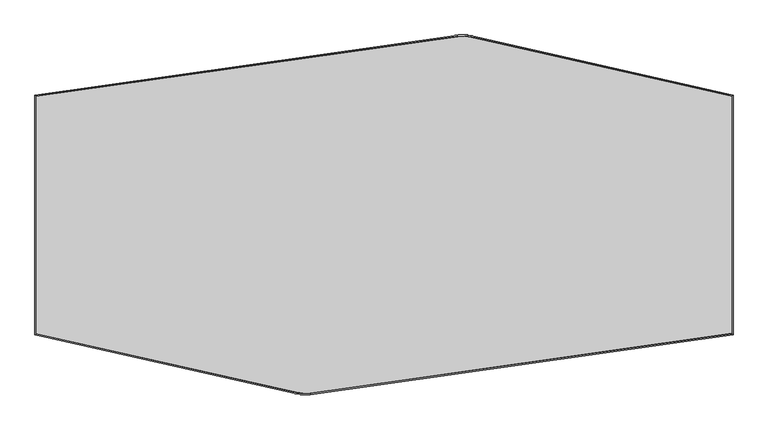
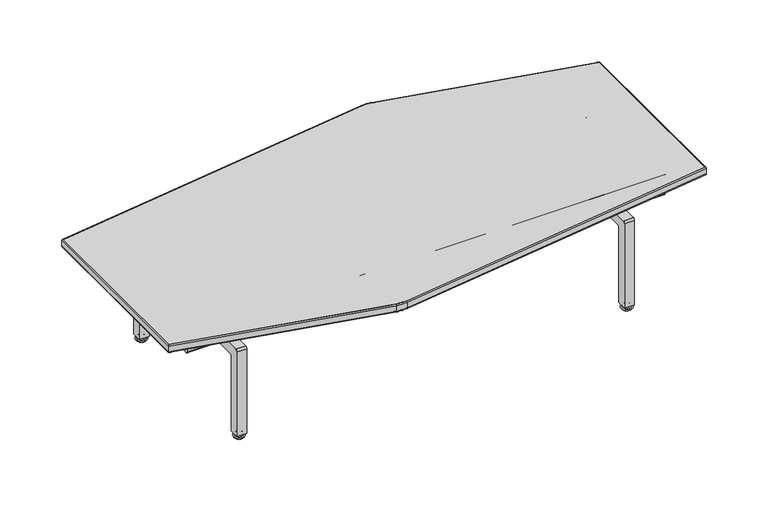
"""IFC4 building model written with IfcOpenShell, lengths in millimetres: furniture geometry."""

from ifc_helpers import new_model, si_unit, point, frame, frame_2d, origin, place, context, project, spatial, polyline, circle_curve, ellipse_curve, trimmed, segment, composite_curve, outline, extrude, source, transform, mapped, element, save
from ifc_brep_helpers import plane_surface, cylinder_surface, revolved_surface, advanced_brep


def furniture_056533b5(model_context):
    return source(origin(), model_context, "Body", "SolidModel", [
        advanced_brep(
        [(1182.6869857, -570.2767393, 14.8752118), (1182.6869857, -573.5884449, 14.8752118), (1182.6869857, -566.9650337, 14.8752118), (1182.6869857, -574.1753826, 13.858606), (1182.6869857, -566.3780961, 13.858606), (1182.6869857, -578.2073563, 11.2402116), (1182.6869857, -562.3461224, 11.2402116), (1182.6869857, -578.2073563, 8.74896), (1182.6869857, -562.3461224, 8.74896), (1182.6869857, -576.6256871, 8.74896), (1182.6869857, -563.9277915, 8.74896), (1182.6869857, -581.4853062, 5.9432577), (1182.6869857, -559.0681725, 5.9432577), (1182.6869857, -584.6759619, 3.5556814), (1182.6869857, -555.8775167, 3.5556814), (1182.6869857, -582.6230707, 0.0), (1182.6869857, -557.930408, 0.0), (1182.6869857, -570.2767393, 0.0)],
        [
            (0, 1),
            (1, 2, circle_curve(frame((1182.6869857, -570.2767393, 14.8752118), z_axis=(0.0, 0.0, 1.0), x_axis=(0.0, -1.0, 0.0)), 3.3117056)),
            (2, 0),
            (2, 1, circle_curve(frame((1182.6869857, -570.2767393, 14.8752118), z_axis=(0.0, 0.0, 1.0), x_axis=(0.0, -1.0, 0.0)), 3.3117056)),
            (1, 3),
            (3, 4, circle_curve(frame((1182.6869857, -570.2767393, 13.858606), z_axis=(0.0, 0.0, 1.0), x_axis=(0.0, -1.0, 0.0)), 3.8986433)),
            (4, 2),
            (4, 3, circle_curve(frame((1182.6869857, -570.2767393, 13.858606), z_axis=(0.0, 0.0, 1.0), x_axis=(0.0, -1.0, 0.0)), 3.8986433)),
            (3, 5),
            (5, 6, circle_curve(frame((1182.6869857, -570.2767393, 11.2402116), z_axis=(0.0, 0.0, 1.0), x_axis=(0.0, -1.0, 0.0)), 7.930617)),
            (6, 4),
            (6, 5, circle_curve(frame((1182.6869857, -570.2767393, 11.2402116), z_axis=(0.0, 0.0, 1.0), x_axis=(0.0, -1.0, 0.0)), 7.930617)),
            (5, 7),
            (7, 8, circle_curve(frame((1182.6869857, -570.2767393, 8.74896), z_axis=(0.0, 0.0, 1.0), x_axis=(0.0, -1.0, 0.0)), 7.930617)),
            (8, 6),
            (8, 7, circle_curve(frame((1182.6869857, -570.2767393, 8.74896), z_axis=(0.0, 0.0, 1.0), x_axis=(0.0, -1.0, 0.0)), 7.930617)),
            (7, 9),
            (9, 10, circle_curve(frame((1182.6869857, -570.2767393, 8.74896), z_axis=(0.0, 0.0, 1.0), x_axis=(0.0, -1.0, 0.0)), 6.3489478)),
            (10, 8),
            (10, 9, circle_curve(frame((1182.6869857, -570.2767393, 8.74896), z_axis=(0.0, 0.0, 1.0), x_axis=(0.0, -1.0, 0.0)), 6.3489478)),
            (9, 11, circle_curve(frame((1182.6869857, -581.1379321, 10.9529929), z_axis=(-1.0, 0.0, 0.0), x_axis=(0.0, -1.0, 0.0)), 5.0217642)),
            (11, 12, circle_curve(frame((1182.6869857, -570.2767393, 5.9432577), z_axis=(0.0, 0.0, 1.0), x_axis=(0.0, -1.0, 0.0)), 11.2085669)),
            (12, 10, circle_curve(frame((1182.6869857, -559.4155465, 10.9529929), z_axis=(-1.0, 0.0, 0.0), x_axis=(0.0, 1.0, 0.0)), 5.0217642)),
            (12, 11, circle_curve(frame((1182.6869857, -570.2767393, 5.9432577), z_axis=(0.0, 0.0, 1.0), x_axis=(0.0, -1.0, 0.0)), 11.2085669)),
            (11, 13, circle_curve(frame((1182.6869857, -581.6963544, 2.8995769), z_axis=(1.0, 0.0, 0.0), x_axis=(0.0, -1.0, 0.0)), 3.050989)),
            (13, 14, circle_curve(frame((1182.6869857, -570.2767393, 3.5556814), z_axis=(0.0, 0.0, 1.0), x_axis=(0.0, -1.0, 0.0)), 14.3992226)),
            (14, 12, circle_curve(frame((1182.6869857, -558.8571242, 2.8995769), z_axis=(1.0, 0.0, 0.0), x_axis=(0.0, 1.0, 0.0)), 3.050989)),
            (14, 13, circle_curve(frame((1182.6869857, -570.2767393, 3.5556814), z_axis=(0.0, 0.0, 1.0), x_axis=(0.0, -1.0, 0.0)), 14.3992226)),
            (13, 15),
            (15, 16, circle_curve(frame((1182.6869857, -570.2767393, 0.0), z_axis=(0.0, 0.0, 1.0), x_axis=(0.0, -1.0, 0.0)), 12.3463313)),
            (16, 14),
            (16, 15, circle_curve(frame((1182.6869857, -570.2767393, 0.0), z_axis=(0.0, 0.0, 1.0), x_axis=(0.0, -1.0, 0.0)), 12.3463313)),
            (15, 17),
            (17, 16),
        ],
        [
            plane_surface(frame((1182.6869857, -570.2767393, 14.8752118), z_axis=(0.0, 0.0, 1.0), x_axis=(0.0, -1.0, 0.0))),
            revolved_surface(polyline([(1182.6869857, -574.1753826, 13.858606), (1182.6869857, -573.5884449, 14.8752118)]), (1182.6869857, -570.2767393, 0.0), (0.0, 0.0, 1.0)),
            revolved_surface(polyline([(1182.6869857, -578.2073563, 11.2402116), (1182.6869857, -574.1753826, 13.858606)]), (1182.6869857, -570.2767393, 0.0), (0.0, 0.0, 1.0)),
            cylinder_surface(frame((1182.6869857, -570.2767393, 0.0), z_axis=(0.0, 0.0, 1.0), x_axis=(0.0, -1.0, 0.0)), 7.930617),
            plane_surface(frame((1182.6869857, -570.2767393, 8.74896), z_axis=(0.0, 0.0, -1.0), x_axis=(0.0, -1.0, 0.0))),
            revolved_surface(trimmed(ellipse_curve(frame((1182.6869857, -581.1379321, 10.9529929), z_axis=(1.0, 0.0, 0.0), x_axis=(0.0, -1.0, 0.0)), 5.0217642, 5.0217642), [point((1182.6869857, -581.4853062, 5.9432577))], [point((1182.6869857, -576.6256871, 8.74896))], True, "CARTESIAN"), (1182.6869857, -570.2767393, 0.0), (0.0, 0.0, 1.0)),
            revolved_surface(trimmed(ellipse_curve(frame((1182.6869857, -581.6963544, 2.8995769), z_axis=(-1.0, 0.0, 0.0), x_axis=(0.0, -1.0, 0.0)), 3.050989, 3.050989), [point((1182.6869857, -584.6759619, 3.5556814))], [point((1182.6869857, -581.4853062, 5.9432577))], True, "CARTESIAN"), (1182.6869857, -570.2767393, 0.0), (0.0, 0.0, 1.0)),
            revolved_surface(polyline([(1182.6869857, -582.6230707, 0.0), (1182.6869857, -584.6759619, 3.5556814)]), (1182.6869857, -570.2767393, 0.0), (0.0, 0.0, 1.0)),
            plane_surface(frame((1182.6869857, -570.2767393, 0.0), z_axis=(0.0, 0.0, -1.0), x_axis=(0.0, -1.0, 0.0))),
        ],
        [
            (0, [[1, 2, 3]]),
            (0, [[-3, 4, -1]]),
            (1, [[-2, 5, 6, 7]]),
            (1, [[-4, -7, 8, -5]]),
            (2, [[-6, 9, 10, 11]]),
            (2, [[-8, -11, 12, -9]]),
            (3, [[-10, 13, 14, 15]]),
            (3, [[-12, -15, 16, -13]]),
            (4, [[-14, 17, 18, 19]]),
            (4, [[-16, -19, 20, -17]]),
            (5, [[-18, 21, 22, 23]]),
            (5, [[-20, -23, 24, -21]]),
            (6, [[-22, 25, 26, 27]]),
            (6, [[-24, -27, 28, -25]]),
            (7, [[-26, 29, 30, 31]]),
            (7, [[-28, -31, 32, -29]]),
            (8, [[-30, 33, 34]]),
            (8, [[-32, -34, -33]]),
        ],
    ),
        advanced_brep(
        [(1182.6869857, -141.7539597, 14.8752118), (1182.6869857, -135.1305486, 14.8752118), (1182.6869857, -138.4422542, 14.8752118), (1182.6869857, -142.3408974, 13.858606), (1182.6869857, -134.5436109, 13.858606), (1182.6869857, -146.3728711, 11.2402116), (1182.6869857, -130.5116372, 11.2402116), (1182.6869857, -146.3728711, 8.74896), (1182.6869857, -130.5116372, 8.74896), (1182.6869857, -144.791202, 8.74896), (1182.6869857, -132.0933064, 8.74896), (1182.6869857, -149.650821, 5.9432577), (1182.6869857, -127.2336873, 5.9432577), (1182.6869857, -152.8414767, 3.5556814), (1182.6869857, -124.0430316, 3.5556814), (1182.6869857, -150.7885855, 0.0), (1182.6869857, -126.0959228, 0.0), (1182.6869857, -138.4422542, 0.0)],
        [
            (0, 1, circle_curve(frame((1182.6869857, -138.4422542, 14.8752118), z_axis=(0.0, 0.0, 1.0), x_axis=(0.0, 1.0, 0.0)), 3.3117056)),
            (1, 2),
            (2, 0),
            (1, 0, circle_curve(frame((1182.6869857, -138.4422542, 14.8752118), z_axis=(0.0, 0.0, 1.0), x_axis=(0.0, 1.0, 0.0)), 3.3117056)),
            (3, 4, circle_curve(frame((1182.6869857, -138.4422542, 13.858606), z_axis=(0.0, 0.0, 1.0), x_axis=(0.0, 1.0, 0.0)), 3.8986433)),
            (4, 1),
            (0, 3),
            (4, 3, circle_curve(frame((1182.6869857, -138.4422542, 13.858606), z_axis=(0.0, 0.0, 1.0), x_axis=(0.0, 1.0, 0.0)), 3.8986433)),
            (5, 6, circle_curve(frame((1182.6869857, -138.4422542, 11.2402116), z_axis=(0.0, 0.0, 1.0), x_axis=(0.0, 1.0, 0.0)), 7.930617)),
            (6, 4),
            (3, 5),
            (6, 5, circle_curve(frame((1182.6869857, -138.4422542, 11.2402116), z_axis=(0.0, 0.0, 1.0), x_axis=(0.0, 1.0, 0.0)), 7.930617)),
            (7, 8, circle_curve(frame((1182.6869857, -138.4422542, 8.74896), z_axis=(0.0, 0.0, 1.0), x_axis=(0.0, 1.0, 0.0)), 7.930617)),
            (8, 6),
            (5, 7),
            (8, 7, circle_curve(frame((1182.6869857, -138.4422542, 8.74896), z_axis=(0.0, 0.0, 1.0), x_axis=(0.0, 1.0, 0.0)), 7.930617)),
            (9, 10, circle_curve(frame((1182.6869857, -138.4422542, 8.74896), z_axis=(0.0, 0.0, 1.0), x_axis=(0.0, 1.0, 0.0)), 6.3489478)),
            (10, 8),
            (7, 9),
            (10, 9, circle_curve(frame((1182.6869857, -138.4422542, 8.74896), z_axis=(0.0, 0.0, 1.0), x_axis=(0.0, 1.0, 0.0)), 6.3489478)),
            (11, 12, circle_curve(frame((1182.6869857, -138.4422542, 5.9432577), z_axis=(0.0, 0.0, 1.0), x_axis=(0.0, 1.0, 0.0)), 11.2085669)),
            (12, 10, circle_curve(frame((1182.6869857, -127.5810614, 10.9529929), z_axis=(-1.0, 0.0, 0.0), x_axis=(0.0, -1.0, 0.0)), 5.0217642)),
            (9, 11, circle_curve(frame((1182.6869857, -149.3034469, 10.9529929), z_axis=(-1.0, 0.0, 0.0), x_axis=(0.0, 1.0, 0.0)), 5.0217642)),
            (12, 11, circle_curve(frame((1182.6869857, -138.4422542, 5.9432577), z_axis=(0.0, 0.0, 1.0), x_axis=(0.0, 1.0, 0.0)), 11.2085669)),
            (13, 14, circle_curve(frame((1182.6869857, -138.4422542, 3.5556814), z_axis=(0.0, 0.0, 1.0), x_axis=(0.0, 1.0, 0.0)), 14.3992226)),
            (14, 12, circle_curve(frame((1182.6869857, -127.0226391, 2.8995769), z_axis=(1.0, 0.0, 0.0), x_axis=(0.0, -1.0, 0.0)), 3.050989)),
            (11, 13, circle_curve(frame((1182.6869857, -149.8618693, 2.8995769), z_axis=(1.0, 0.0, 0.0), x_axis=(0.0, 1.0, 0.0)), 3.050989)),
            (14, 13, circle_curve(frame((1182.6869857, -138.4422542, 3.5556814), z_axis=(0.0, 0.0, 1.0), x_axis=(0.0, 1.0, 0.0)), 14.3992226)),
            (15, 16, circle_curve(frame((1182.6869857, -138.4422542, 0.0), z_axis=(0.0, 0.0, 1.0), x_axis=(0.0, 1.0, 0.0)), 12.3463313)),
            (16, 14),
            (13, 15),
            (16, 15, circle_curve(frame((1182.6869857, -138.4422542, 0.0), z_axis=(0.0, 0.0, 1.0), x_axis=(0.0, 1.0, 0.0)), 12.3463313)),
            (17, 16),
            (15, 17),
        ],
        [
            plane_surface(frame((1182.6869857, -138.4422542, 14.8752118), z_axis=(0.0, 0.0, 1.0), x_axis=(0.0, 1.0, 0.0))),
            revolved_surface(polyline([(1182.6869857, -135.1305486, 14.8752118), (1182.6869857, -134.5436109, 13.858606)]), (1182.6869857, -138.4422542, 0.0), (0.0, 0.0, -1.0)),
            revolved_surface(polyline([(1182.6869857, -134.5436109, 13.858606), (1182.6869857, -130.5116372, 11.2402116)]), (1182.6869857, -138.4422542, 0.0), (0.0, 0.0, -1.0)),
            cylinder_surface(frame((1182.6869857, -138.4422542, 0.0), z_axis=(0.0, 0.0, -1.0), x_axis=(0.0, 1.0, 0.0)), 7.930617),
            plane_surface(frame((1182.6869857, -138.4422542, 8.74896), z_axis=(0.0, 0.0, -1.0), x_axis=(0.0, 1.0, 0.0))),
            revolved_surface(trimmed(ellipse_curve(frame((1182.6869857, -127.5810614, 10.9529929), z_axis=(1.0, 0.0, 0.0), x_axis=(0.0, -1.0, 0.0)), 5.0217642, 5.0217642), [point((1182.6869857, -132.0933064, 8.74896))], [point((1182.6869857, -127.2336873, 5.9432577))], True, "CARTESIAN"), (1182.6869857, -138.4422542, 0.0), (0.0, 0.0, -1.0)),
            revolved_surface(trimmed(ellipse_curve(frame((1182.6869857, -127.0226391, 2.8995769), z_axis=(-1.0, 0.0, 0.0), x_axis=(0.0, -1.0, 0.0)), 3.050989, 3.050989), [point((1182.6869857, -127.2336873, 5.9432577))], [point((1182.6869857, -124.0430316, 3.5556814))], True, "CARTESIAN"), (1182.6869857, -138.4422542, 0.0), (0.0, 0.0, -1.0)),
            revolved_surface(polyline([(1182.6869857, -124.0430316, 3.5556814), (1182.6869857, -126.0959228, 0.0)]), (1182.6869857, -138.4422542, 0.0), (0.0, 0.0, -1.0)),
            plane_surface(frame((1182.6869857, -138.4422542, 0.0), z_axis=(0.0, 0.0, -1.0), x_axis=(0.0, 1.0, 0.0))),
        ],
        [
            (0, [[1, 2, 3]]),
            (0, [[4, -3, -2]]),
            (1, [[5, 6, -1, 7]]),
            (1, [[8, -7, -4, -6]]),
            (2, [[9, 10, -5, 11]]),
            (2, [[12, -11, -8, -10]]),
            (3, [[13, 14, -9, 15]]),
            (3, [[16, -15, -12, -14]]),
            (4, [[17, 18, -13, 19]]),
            (4, [[20, -19, -16, -18]]),
            (5, [[21, 22, -17, 23]]),
            (5, [[24, -23, -20, -22]]),
            (6, [[25, 26, -21, 27]]),
            (6, [[28, -27, -24, -26]]),
            (7, [[29, 30, -25, 31]]),
            (7, [[32, -31, -28, -30]]),
            (8, [[33, -29, 34]]),
            (8, [[-34, -32, -33]]),
        ],
    ),
        advanced_brep(
        [(192.0875, -141.7539597, 14.8752118), (192.0875, -135.1305486, 14.8752118), (192.0875, -138.4422542, 14.8752118), (192.0875, -142.3408974, 13.858606), (192.0875, -134.5436109, 13.858606), (192.0875, -146.3728711, 11.2402116), (192.0875, -130.5116372, 11.2402116), (192.0875, -146.3728711, 8.74896), (192.0875, -130.5116372, 8.74896), (192.0875, -144.791202, 8.74896), (192.0875, -132.0933064, 8.74896), (192.0875, -149.650821, 5.9432577), (192.0875, -127.2336873, 5.9432577), (192.0875, -152.8414767, 3.5556814), (192.0875, -124.0430316, 3.5556814), (192.0875, -150.7885855, 0.0), (192.0875, -126.0959228, 0.0), (192.0875, -138.4422542, 0.0)],
        [
            (0, 1, circle_curve(frame((192.0875, -138.4422542, 14.8752118), z_axis=(0.0, 0.0, 1.0), x_axis=(0.0, 1.0, 0.0)), 3.3117056)),
            (1, 2),
            (2, 0),
            (1, 0, circle_curve(frame((192.0875, -138.4422542, 14.8752118), z_axis=(0.0, 0.0, 1.0), x_axis=(0.0, 1.0, 0.0)), 3.3117056)),
            (3, 4, circle_curve(frame((192.0875, -138.4422542, 13.858606), z_axis=(0.0, 0.0, 1.0), x_axis=(0.0, 1.0, 0.0)), 3.8986433)),
            (4, 1),
            (0, 3),
            (4, 3, circle_curve(frame((192.0875, -138.4422542, 13.858606), z_axis=(0.0, 0.0, 1.0), x_axis=(0.0, 1.0, 0.0)), 3.8986433)),
            (5, 6, circle_curve(frame((192.0875, -138.4422542, 11.2402116), z_axis=(0.0, 0.0, 1.0), x_axis=(0.0, 1.0, 0.0)), 7.930617)),
            (6, 4),
            (3, 5),
            (6, 5, circle_curve(frame((192.0875, -138.4422542, 11.2402116), z_axis=(0.0, 0.0, 1.0), x_axis=(0.0, 1.0, 0.0)), 7.930617)),
            (7, 8, circle_curve(frame((192.0875, -138.4422542, 8.74896), z_axis=(0.0, 0.0, 1.0), x_axis=(0.0, 1.0, 0.0)), 7.930617)),
            (8, 6),
            (5, 7),
            (8, 7, circle_curve(frame((192.0875, -138.4422542, 8.74896), z_axis=(0.0, 0.0, 1.0), x_axis=(0.0, 1.0, 0.0)), 7.930617)),
            (9, 10, circle_curve(frame((192.0875, -138.4422542, 8.74896), z_axis=(0.0, 0.0, 1.0), x_axis=(0.0, 1.0, 0.0)), 6.3489478)),
            (10, 8),
            (7, 9),
            (10, 9, circle_curve(frame((192.0875, -138.4422542, 8.74896), z_axis=(0.0, 0.0, 1.0), x_axis=(0.0, 1.0, 0.0)), 6.3489478)),
            (11, 12, circle_curve(frame((192.0875, -138.4422542, 5.9432577), z_axis=(0.0, 0.0, 1.0), x_axis=(0.0, 1.0, 0.0)), 11.2085669)),
            (12, 10, circle_curve(frame((192.0875, -127.5810614, 10.9529929), z_axis=(-1.0, 0.0, 0.0), x_axis=(0.0, 1.0, 0.0)), 5.0217642)),
            (9, 11, circle_curve(frame((192.0875, -149.3034469, 10.9529929), z_axis=(-1.0, 0.0, 0.0), x_axis=(0.0, -1.0, 0.0)), 5.0217642)),
            (12, 11, circle_curve(frame((192.0875, -138.4422542, 5.9432577), z_axis=(0.0, 0.0, 1.0), x_axis=(0.0, 1.0, 0.0)), 11.2085669)),
            (13, 14, circle_curve(frame((192.0875, -138.4422542, 3.5556814), z_axis=(0.0, 0.0, 1.0), x_axis=(0.0, 1.0, 0.0)), 14.3992226)),
            (14, 12, circle_curve(frame((192.0875, -127.0226391, 2.8995769), z_axis=(1.0, 0.0, 0.0), x_axis=(0.0, 1.0, 0.0)), 3.050989)),
            (11, 13, circle_curve(frame((192.0875, -149.8618693, 2.8995769), z_axis=(1.0, 0.0, 0.0), x_axis=(0.0, -1.0, 0.0)), 3.050989)),
            (14, 13, circle_curve(frame((192.0875, -138.4422542, 3.5556814), z_axis=(0.0, 0.0, 1.0), x_axis=(0.0, 1.0, 0.0)), 14.3992226)),
            (15, 16, circle_curve(frame((192.0875, -138.4422542, 0.0), z_axis=(0.0, 0.0, 1.0), x_axis=(0.0, 1.0, 0.0)), 12.3463313)),
            (16, 14),
            (13, 15),
            (16, 15, circle_curve(frame((192.0875, -138.4422542, 0.0), z_axis=(0.0, 0.0, 1.0), x_axis=(0.0, 1.0, 0.0)), 12.3463313)),
            (17, 16),
            (15, 17),
        ],
        [
            plane_surface(frame((192.0875, -138.4422542, 14.8752118), z_axis=(0.0, 0.0, 1.0), x_axis=(0.0, 1.0, 0.0))),
            revolved_surface(polyline([(192.0875, -135.1305486, 14.8752118), (192.0875, -134.5436109, 13.858606)]), (192.0875, -138.4422542, 0.0), (0.0, 0.0, -1.0)),
            revolved_surface(polyline([(192.0875, -134.5436109, 13.858606), (192.0875, -130.5116372, 11.2402116)]), (192.0875, -138.4422542, 0.0), (0.0, 0.0, -1.0)),
            cylinder_surface(frame((192.0875, -138.4422542, 0.0), z_axis=(0.0, 0.0, -1.0), x_axis=(0.0, 1.0, 0.0)), 7.930617),
            plane_surface(frame((192.0875, -138.4422542, 8.74896), z_axis=(0.0, 0.0, -1.0), x_axis=(0.0, 1.0, 0.0))),
            revolved_surface(trimmed(ellipse_curve(frame((192.0875, -127.5810614, 10.9529929), z_axis=(1.0, 0.0, 0.0), x_axis=(0.0, 1.0, 0.0)), 5.0217642, 5.0217642), [point((192.0875, -132.0933064, 8.74896))], [point((192.0875, -127.2336873, 5.9432577))], True, "CARTESIAN"), (192.0875, -138.4422542, 0.0), (0.0, 0.0, -1.0)),
            revolved_surface(trimmed(ellipse_curve(frame((192.0875, -127.0226391, 2.8995769), z_axis=(-1.0, 0.0, 0.0), x_axis=(0.0, 1.0, 0.0)), 3.050989, 3.050989), [point((192.0875, -127.2336873, 5.9432577))], [point((192.0875, -124.0430316, 3.5556814))], True, "CARTESIAN"), (192.0875, -138.4422542, 0.0), (0.0, 0.0, -1.0)),
            revolved_surface(polyline([(192.0875, -124.0430316, 3.5556814), (192.0875, -126.0959228, 0.0)]), (192.0875, -138.4422542, 0.0), (0.0, 0.0, -1.0)),
            plane_surface(frame((192.0875, -138.4422542, 0.0), z_axis=(0.0, 0.0, -1.0), x_axis=(0.0, 1.0, 0.0))),
        ],
        [
            (0, [[1, 2, 3]]),
            (0, [[4, -3, -2]]),
            (1, [[5, 6, -1, 7]]),
            (1, [[8, -7, -4, -6]]),
            (2, [[9, 10, -5, 11]]),
            (2, [[12, -11, -8, -10]]),
            (3, [[13, 14, -9, 15]]),
            (3, [[16, -15, -12, -14]]),
            (4, [[17, 18, -13, 19]]),
            (4, [[20, -19, -16, -18]]),
            (5, [[21, 22, -17, 23]]),
            (5, [[24, -23, -20, -22]]),
            (6, [[25, 26, -21, 27]]),
            (6, [[28, -27, -24, -26]]),
            (7, [[29, 30, -25, 31]]),
            (7, [[32, -31, -28, -30]]),
            (8, [[33, -29, 34]]),
            (8, [[-34, -32, -33]]),
        ],
    ),
        extrude(outline(polyline([(158.7472143, -170.2591816), (225.4222143, -170.2591816), (225.4222143, -195.6303406), (158.7472143, -195.6303406), (158.7472143, -170.2591816)])), frame((0.0, 0.0, 244.2027917), z_axis=(0.0, 0.0, 1.0), x_axis=(1.0, 0.0, 0.0)), (0.0, 0.0, 1.0), 2.4272124),
        extrude(outline(polyline([(1149.347287, -170.2591816), (1215.8990844, -170.2591816), (1215.8990844, -195.6303406), (1149.347287, -195.6303406), (1149.347287, -170.2591816)])), frame((0.0, 0.0, 244.1741947), z_axis=(0.0, 0.0, 1.0), x_axis=(1.0, 0.0, 0.0)), (0.0, 0.0, 1.0), 2.4558094),
        extrude(outline(composite_curve([segment(polyline([(-582.7396725, 10.9281489), (-582.7396725, 239.2936032)]), True, "CONTINUOUS"), segment(trimmed(circle_curve(frame_2d((-577.859081, 239.2936032)), 4.8805915), [point((-582.7396725, 239.2936032))], [point((-577.859081, 244.1741947))], False, "CARTESIAN"), True, "CONTINUOUS"), segment(polyline([(-577.859081, 244.1741947), (-130.5622563, 244.1741947)]), True, "CONTINUOUS"), segment(trimmed(circle_curve(frame_2d((-130.5622563, 239.2936032)), 4.8805915), [point((-130.5622563, 244.1741947))], [point((-125.6816648, 239.2936032))], False, "CARTESIAN"), True, "CONTINUOUS"), segment(polyline([(-125.6816648, 239.2936032), (-125.6816648, 10.9281489), (-151.0816648, 10.9281489), (-151.0816648, 215.7082732)]), True, "CONTINUOUS"), segment(trimmed(circle_curve(frame_2d((-154.1476347, 215.7082732)), 3.06597), [point((-151.0816648, 215.7082732))], [point((-154.1476347, 218.7742432))], True, "CARTESIAN"), True, "CONTINUOUS"), segment(polyline([(-154.1476347, 218.7742432), (-554.2737025, 218.7742432)]), True, "CONTINUOUS"), segment(trimmed(circle_curve(frame_2d((-554.2737025, 215.7082732)), 3.06597), [point((-554.2737025, 218.7742432))], [point((-557.3396725, 215.7082732))], True, "CARTESIAN"), True, "CONTINUOUS"), segment(polyline([(-557.3396725, 215.7082732), (-557.3396725, 10.9281489), (-582.7396725, 10.9281489)]), True, "CONTINUOUS")], self_intersect=False)), frame((1169.9643916, 0.0, 0.0), z_axis=(1.0, 0.0, 0.0), x_axis=(0.0, 1.0, 0.0)), (0.0, 0.0, 1.0), 25.4004602),
        advanced_brep(
        [(192.0875, -570.2767393, 14.8752118), (192.0875, -573.5884449, 14.8752118), (192.0875, -566.9650337, 14.8752118), (192.0875, -574.1753826, 13.858606), (192.0875, -566.3780961, 13.858606), (192.0875, -578.2073563, 11.2402116), (192.0875, -562.3461224, 11.2402116), (192.0875, -578.2073563, 8.74896), (192.0875, -562.3461224, 8.74896), (192.0875, -576.6256871, 8.74896), (192.0875, -563.9277915, 8.74896), (192.0875, -581.4853062, 5.9432577), (192.0875, -559.0681725, 5.9432577), (192.0875, -584.6759619, 3.5556814), (192.0875, -555.8775167, 3.5556814), (192.0875, -582.6230707, 0.0), (192.0875, -557.930408, 0.0), (192.0875, -570.2767393, 0.0)],
        [
            (0, 1),
            (1, 2, circle_curve(frame((192.0875, -570.2767393, 14.8752118), z_axis=(0.0, 0.0, 1.0), x_axis=(0.0, -1.0, 0.0)), 3.3117056)),
            (2, 0),
            (2, 1, circle_curve(frame((192.0875, -570.2767393, 14.8752118), z_axis=(0.0, 0.0, 1.0), x_axis=(0.0, -1.0, 0.0)), 3.3117056)),
            (1, 3),
            (3, 4, circle_curve(frame((192.0875, -570.2767393, 13.858606), z_axis=(0.0, 0.0, 1.0), x_axis=(0.0, -1.0, 0.0)), 3.8986433)),
            (4, 2),
            (4, 3, circle_curve(frame((192.0875, -570.2767393, 13.858606), z_axis=(0.0, 0.0, 1.0), x_axis=(0.0, -1.0, 0.0)), 3.8986433)),
            (3, 5),
            (5, 6, circle_curve(frame((192.0875, -570.2767393, 11.2402116), z_axis=(0.0, 0.0, 1.0), x_axis=(0.0, -1.0, 0.0)), 7.930617)),
            (6, 4),
            (6, 5, circle_curve(frame((192.0875, -570.2767393, 11.2402116), z_axis=(0.0, 0.0, 1.0), x_axis=(0.0, -1.0, 0.0)), 7.930617)),
            (5, 7),
            (7, 8, circle_curve(frame((192.0875, -570.2767393, 8.74896), z_axis=(0.0, 0.0, 1.0), x_axis=(0.0, -1.0, 0.0)), 7.930617)),
            (8, 6),
            (8, 7, circle_curve(frame((192.0875, -570.2767393, 8.74896), z_axis=(0.0, 0.0, 1.0), x_axis=(0.0, -1.0, 0.0)), 7.930617)),
            (7, 9),
            (9, 10, circle_curve(frame((192.0875, -570.2767393, 8.74896), z_axis=(0.0, 0.0, 1.0), x_axis=(0.0, -1.0, 0.0)), 6.3489478)),
            (10, 8),
            (10, 9, circle_curve(frame((192.0875, -570.2767393, 8.74896), z_axis=(0.0, 0.0, 1.0), x_axis=(0.0, -1.0, 0.0)), 6.3489478)),
            (9, 11, circle_curve(frame((192.0875, -581.1379321, 10.9529929), z_axis=(-1.0, 0.0, 0.0), x_axis=(0.0, -1.0, 0.0)), 5.0217642)),
            (11, 12, circle_curve(frame((192.0875, -570.2767393, 5.9432577), z_axis=(0.0, 0.0, 1.0), x_axis=(0.0, -1.0, 0.0)), 11.2085669)),
            (12, 10, circle_curve(frame((192.0875, -559.4155465, 10.9529929), z_axis=(-1.0, 0.0, 0.0), x_axis=(0.0, 1.0, 0.0)), 5.0217642)),
            (12, 11, circle_curve(frame((192.0875, -570.2767393, 5.9432577), z_axis=(0.0, 0.0, 1.0), x_axis=(0.0, -1.0, 0.0)), 11.2085669)),
            (11, 13, circle_curve(frame((192.0875, -581.6963544, 2.8995769), z_axis=(1.0, 0.0, 0.0), x_axis=(0.0, -1.0, 0.0)), 3.050989)),
            (13, 14, circle_curve(frame((192.0875, -570.2767393, 3.5556814), z_axis=(0.0, 0.0, 1.0), x_axis=(0.0, -1.0, 0.0)), 14.3992226)),
            (14, 12, circle_curve(frame((192.0875, -558.8571242, 2.8995769), z_axis=(1.0, 0.0, 0.0), x_axis=(0.0, 1.0, 0.0)), 3.050989)),
            (14, 13, circle_curve(frame((192.0875, -570.2767393, 3.5556814), z_axis=(0.0, 0.0, 1.0), x_axis=(0.0, -1.0, 0.0)), 14.3992226)),
            (13, 15),
            (15, 16, circle_curve(frame((192.0875, -570.2767393, 0.0), z_axis=(0.0, 0.0, 1.0), x_axis=(0.0, -1.0, 0.0)), 12.3463313)),
            (16, 14),
            (16, 15, circle_curve(frame((192.0875, -570.2767393, 0.0), z_axis=(0.0, 0.0, 1.0), x_axis=(0.0, -1.0, 0.0)), 12.3463313)),
            (15, 17),
            (17, 16),
        ],
        [
            plane_surface(frame((192.0875, -570.2767393, 14.8752118), z_axis=(0.0, 0.0, 1.0), x_axis=(0.0, -1.0, 0.0))),
            revolved_surface(polyline([(192.0875, -574.1753826, 13.858606), (192.0875, -573.5884449, 14.8752118)]), (192.0875, -570.2767393, 0.0), (0.0, 0.0, 1.0)),
            revolved_surface(polyline([(192.0875, -578.2073563, 11.2402116), (192.0875, -574.1753826, 13.858606)]), (192.0875, -570.2767393, 0.0), (0.0, 0.0, 1.0)),
            cylinder_surface(frame((192.0875, -570.2767393, 0.0), z_axis=(0.0, 0.0, 1.0), x_axis=(0.0, -1.0, 0.0)), 7.930617),
            plane_surface(frame((192.0875, -570.2767393, 8.74896), z_axis=(0.0, 0.0, -1.0), x_axis=(0.0, -1.0, 0.0))),
            revolved_surface(trimmed(ellipse_curve(frame((192.0875, -581.1379321, 10.9529929), z_axis=(1.0, 0.0, 0.0), x_axis=(0.0, -1.0, 0.0)), 5.0217642, 5.0217642), [point((192.0875, -581.4853062, 5.9432577))], [point((192.0875, -576.6256871, 8.74896))], True, "CARTESIAN"), (192.0875, -570.2767393, 0.0), (0.0, 0.0, 1.0)),
            revolved_surface(trimmed(ellipse_curve(frame((192.0875, -581.6963544, 2.8995769), z_axis=(-1.0, 0.0, 0.0), x_axis=(0.0, -1.0, 0.0)), 3.050989, 3.050989), [point((192.0875, -584.6759619, 3.5556814))], [point((192.0875, -581.4853062, 5.9432577))], True, "CARTESIAN"), (192.0875, -570.2767393, 0.0), (0.0, 0.0, 1.0)),
            revolved_surface(polyline([(192.0875, -582.6230707, 0.0), (192.0875, -584.6759619, 3.5556814)]), (192.0875, -570.2767393, 0.0), (0.0, 0.0, 1.0)),
            plane_surface(frame((192.0875, -570.2767393, 0.0), z_axis=(0.0, 0.0, -1.0), x_axis=(0.0, -1.0, 0.0))),
        ],
        [
            (0, [[1, 2, 3]]),
            (0, [[-3, 4, -1]]),
            (1, [[-2, 5, 6, 7]]),
            (1, [[-4, -7, 8, -5]]),
            (2, [[-6, 9, 10, 11]]),
            (2, [[-8, -11, 12, -9]]),
            (3, [[-10, 13, 14, 15]]),
            (3, [[-12, -15, 16, -13]]),
            (4, [[-14, 17, 18, 19]]),
            (4, [[-16, -19, 20, -17]]),
            (5, [[-18, 21, 22, 23]]),
            (5, [[-20, -23, 24, -21]]),
            (6, [[-22, 25, 26, 27]]),
            (6, [[-24, -27, 28, -25]]),
            (7, [[-26, 29, 30, 31]]),
            (7, [[-28, -31, 32, -29]]),
            (8, [[-30, 33, 34]]),
            (8, [[-32, -34, -33]]),
        ],
    ),
        extrude(outline(composite_curve([segment(polyline([(-152.1146743, 302.386969), (-166.2877418, 302.386969)]), True, "CONTINUOUS"), segment(trimmed(circle_curve(frame_2d((-166.2877418, 301.370969)), 1.016), [point((-166.2877418, 302.386969))], [point((-167.3037418, 301.370969))], True, "CARTESIAN"), True, "CONTINUOUS"), segment(polyline([(-167.3037418, 301.370969), (-167.3037418, 250.3541997)]), True, "CONTINUOUS"), segment(trimmed(circle_curve(frame_2d((-171.1462683, 250.3541997)), 3.8425266), [point((-167.3037418, 250.3541997))], [point((-171.1462683, 246.5116732))], False, "CARTESIAN"), True, "CONTINUOUS"), segment(polyline([(-171.1462683, 246.5116732), (-194.9453536, 246.5116732)]), True, "CONTINUOUS"), segment(trimmed(circle_curve(frame_2d((-194.9453536, 250.2091797)), 3.6975066), [point((-194.9453536, 246.5116732))], [point((-198.6428602, 250.2091797))], False, "CARTESIAN"), True, "CONTINUOUS"), segment(polyline([(-198.6428602, 250.2091797), (-198.6428602, 301.4587187)]), True, "CONTINUOUS"), segment(trimmed(circle_curve(frame_2d((-199.5711104, 301.4587187)), 0.9282503), [point((-198.6428602, 301.4587187))], [point((-199.5711104, 302.386969))], True, "CARTESIAN"), True, "CONTINUOUS"), segment(polyline([(-199.5711104, 302.386969), (-213.7838274, 302.386969), (-213.7838274, 304.2920853), (-152.1146743, 304.2920853), (-152.1146743, 302.386969)]), True, "CONTINUOUS")], self_intersect=False)), frame((76.2413434, 0.0, 0.0), z_axis=(1.0, 0.0, 0.0), x_axis=(0.0, 1.0, 0.0)), (0.0, 0.0, 1.0), 1220.7461566),
        extrude(outline(composite_curve([segment(polyline([(-494.8995864, 302.5052999), (-509.0726538, 302.5052999)]), True, "CONTINUOUS"), segment(trimmed(circle_curve(frame_2d((-509.0726538, 301.4892999)), 1.016), [point((-509.0726538, 302.5052999))], [point((-510.0886538, 301.4892999))], True, "CARTESIAN"), True, "CONTINUOUS"), segment(polyline([(-510.0886538, 301.4892999), (-510.0886538, 250.4725307)]), True, "CONTINUOUS"), segment(trimmed(circle_curve(frame_2d((-513.9311804, 250.4725307)), 3.8425266), [point((-510.0886538, 250.4725307))], [point((-513.9311804, 246.6300041))], False, "CARTESIAN"), True, "CONTINUOUS"), segment(polyline([(-513.9311804, 246.6300041), (-537.7302657, 246.6300041)]), True, "CONTINUOUS"), segment(trimmed(circle_curve(frame_2d((-537.7302657, 250.3275107)), 3.6975066), [point((-537.7302657, 246.6300041))], [point((-541.4277722, 250.3275107))], False, "CARTESIAN"), True, "CONTINUOUS"), segment(polyline([(-541.4277722, 250.3275107), (-541.4277722, 301.5770497)]), True, "CONTINUOUS"), segment(trimmed(circle_curve(frame_2d((-542.3560225, 301.5770497)), 0.9282503), [point((-541.4277722, 301.5770497))], [point((-542.3560225, 302.5052999))], True, "CARTESIAN"), True, "CONTINUOUS"), segment(polyline([(-542.3560225, 302.5052999), (-556.5687395, 302.5052999), (-556.5687395, 304.4104162), (-494.8995864, 304.4104162), (-494.8995864, 302.5052999)]), True, "CONTINUOUS")], self_intersect=False)), frame((76.2413434, 0.0, 0.0), z_axis=(1.0, 0.0, 0.0), x_axis=(0.0, 1.0, 0.0)), (0.0, 0.0, 1.0), 1220.7461566),
        extrude(outline(polyline([(225.4222143, -538.5311468), (158.7472143, -538.5311468), (158.7472143, -513.1163392), (225.4222143, -513.1163392), (225.4222143, -538.5311468)])), frame((0.0, 0.0, 244.2027917), z_axis=(0.0, 0.0, 1.0), x_axis=(1.0, 0.0, 0.0)), (0.0, 0.0, 1.0), 2.4272124),
        extrude(outline(polyline([(1215.8990844, -538.5311468), (1149.347287, -538.5311468), (1149.347287, -513.1163392), (1215.8990844, -513.1163392), (1215.8990844, -538.5311468)])), frame((0.0, 0.0, 244.1741947), z_axis=(0.0, 0.0, 1.0), x_axis=(1.0, 0.0, 0.0)), (0.0, 0.0, 1.0), 2.4558094),
        extrude(outline(composite_curve([segment(polyline([(-582.7396725, 10.9281489), (-582.7396725, 239.2936032)]), True, "CONTINUOUS"), segment(trimmed(circle_curve(frame_2d((-577.859081, 239.2936032)), 4.8805915), [point((-582.7396725, 239.2936032))], [point((-577.859081, 244.1741947))], False, "CARTESIAN"), True, "CONTINUOUS"), segment(polyline([(-577.859081, 244.1741947), (-130.5622563, 244.1741947)]), True, "CONTINUOUS"), segment(trimmed(circle_curve(frame_2d((-130.5622563, 239.2936032)), 4.8805915), [point((-130.5622563, 244.1741947))], [point((-125.6816648, 239.2936032))], False, "CARTESIAN"), True, "CONTINUOUS"), segment(polyline([(-125.6816648, 239.2936032), (-125.6816648, 10.9281489), (-151.0816648, 10.9281489), (-151.0816648, 215.7082732)]), True, "CONTINUOUS"), segment(trimmed(circle_curve(frame_2d((-154.1476347, 215.7082732)), 3.06597), [point((-151.0816648, 215.7082732))], [point((-154.1476347, 218.7742432))], True, "CARTESIAN"), True, "CONTINUOUS"), segment(polyline([(-154.1476347, 218.7742432), (-554.2737025, 218.7742432)]), True, "CONTINUOUS"), segment(trimmed(circle_curve(frame_2d((-554.2737025, 215.7082732)), 3.06597), [point((-554.2737025, 218.7742432))], [point((-557.3396725, 215.7082732))], True, "CARTESIAN"), True, "CONTINUOUS"), segment(polyline([(-557.3396725, 215.7082732), (-557.3396725, 10.9281489), (-582.7396725, 10.9281489)]), True, "CONTINUOUS")], self_intersect=False)), frame((179.364906, 0.0, 0.0), z_axis=(1.0, 0.0, 0.0), x_axis=(0.0, 1.0, 0.0)), (0.0, 0.0, 1.0), 25.4004602),
        advanced_brep(
        [(0.0016472, -118.4266668, 307.380172), (2.1015917, -120.2505905, 304.4104162), (2.1015917, -588.6793301, 304.4104162), (0.0016472, -590.3571464, 307.380172), (0.0016472, -118.4266668, 321.9106319), (0.0016472, -590.3571464, 321.9106319), (2.1015675, -120.2505694, 324.8804119), (2.1015675, -588.6793495, 324.8804119), (3.0008343, -121.0316349, 304.4104162), (3.0008343, -121.0316349, 324.8804119), (3.0008343, -587.9608521, 324.8804119), (3.0008343, -587.9608521, 304.4104162), (515.2984411, -704.8190039, 304.4104162), (514.8349314, -706.8671557, 307.380172), (514.8349314, -706.8671557, 321.9106319), (515.2984357, -704.8190276, 324.8804119), (515.4969261, -703.9419401, 324.8804119), (515.4969261, -703.9419401, 304.4104162), (542.5865122, -708.0182334, 307.380172), (542.2942091, -705.9387321, 304.4104162), (542.5865122, -708.0182334, 321.9106319), (542.2942124, -705.9387561, 324.8804119), (542.1690384, -705.0482437, 304.4104162), (542.1690384, -705.0482437, 324.8804119), (1372.4992426, -588.5579028, 304.4104162), (1374.5991871, -590.3818265, 307.380172), (1374.5991871, -590.3818265, 321.9106319), (1372.4992668, -588.5579239, 324.8804119), (1371.6, -587.7768585, 324.8804119), (1371.6, -587.7768585, 304.4104162), (1372.4992426, -120.0651477, 304.4104162), (1374.5991871, -118.3873314, 307.380172), (1374.5991871, -118.3873314, 321.9106319), (1372.4992668, -120.0651284, 324.8804119), (1371.6, -120.7836257, 324.8804119), (1371.6, -120.7836257, 304.4104162), (858.7148065, -3.7924993, 304.4104162), (859.1783161, -1.7443476, 307.380172), (859.1783161, -1.7443476, 321.9106319), (858.7148118, -3.7924757, 324.8804119), (858.5163214, -4.6695631, 324.8804119), (858.5163214, -4.6695631, 304.4104162), (832.9001502, -0.6650137, 307.380172), (833.1941328, -2.7442782, 304.4104162), (832.9001502, -0.6650137, 321.9106319), (833.1941294, -2.7442542, 324.8804119), (833.3200226, -3.6346652, 304.4104162), (833.3200226, -3.6346652, 324.8804119)],
        [
            (0, 1, ellipse_curve(frame((3.1515438, -121.1625348, 307.380172), z_axis=(-0.6557456082046765, -0.7549819185386355, 0.0), x_axis=(-0.7549819185386355, 0.6557456082046764, 0.0)), 4.1721484, 3.1498966)),
            (1, 2),
            (2, 3, ellipse_curve(frame((3.1515438, -587.8404381, 307.380172), z_axis=(-0.6242096189221726, 0.7812569050223083, 0.0), x_axis=(0.7812569050223083, 0.6242096189221726, 0.0)), 4.031832, 3.1498966)),
            (3, 0),
            (4, 0),
            (3, 5),
            (5, 4),
            (6, 4, ellipse_curve(frame((3.1515902, -121.1625751, 321.9106319), z_axis=(-0.6557456082046765, -0.7549819185386355, 0.0), x_axis=(-0.7549819185386355, 0.6557456082046764, 0.0)), 4.1722098, 3.149943)),
            (5, 7, ellipse_curve(frame((3.1515902, -587.840401, 321.9106319), z_axis=(-0.6242096189221726, 0.7812569050223083, 0.0), x_axis=(0.7812569050223083, 0.6242096189221726, 0.0)), 4.0318914, 3.149943)),
            (7, 6),
            (8, 9),
            (9, 10),
            (10, 11),
            (11, 8),
            (2, 12),
            (12, 13, circle_curve(frame((515.5301914, -703.7949477, 307.380172), z_axis=(-0.9753361499285825, 0.22072470329007063, 0.0), x_axis=(0.22072470329007063, 0.9753361499285825, 0.0)), 3.1498966)),
            (13, 3),
            (13, 14),
            (14, 5),
            (14, 15, circle_curve(frame((515.5302017, -703.7949025, 321.9106319), z_axis=(-0.9753361499285825, 0.22072470329007063, 0.0), x_axis=(0.22072470329007063, 0.9753361499285825, 0.0)), 3.149943)),
            (15, 7),
            (10, 16),
            (16, 17),
            (17, 11),
            (18, 13, circle_curve(frame((531.8538608, -631.6640777, 307.380172), z_axis=(0.0, 0.0, -1.0), x_axis=(-0.22072470329007465, -0.9753361499285815, 0.0)), 77.1047787)),
            (12, 19, circle_curve(frame((531.8538608, -631.6640777, 304.4104162), z_axis=(0.0, 0.0, 1.0), x_axis=(-0.22072470329007465, -0.9753361499285815, 0.0)), 75.0048342)),
            (19, 18, circle_curve(frame((542.1480603, -704.8990014, 307.380172), z_axis=(-0.9902648964888561, -0.1391956708447329, 0.0), x_axis=(-0.1391956708447329, 0.9902648964888561, 0.0)), 3.1498966)),
            (20, 14, circle_curve(frame((531.8538608, -631.6640777, 321.9106319), z_axis=(0.0, 0.0, -1.0), x_axis=(-0.22072470329007465, -0.9753361499285815, 0.0)), 77.1047787)),
            (18, 20),
            (21, 15, circle_curve(frame((531.8538608, -631.6640777, 324.8804119), z_axis=(0.0, 0.0, -1.0), x_axis=(-0.22072470329007465, -0.9753361499285815, 0.0)), 75.0048585)),
            (20, 21, circle_curve(frame((542.1480538, -704.8989555, 321.9106319), z_axis=(-0.990264896488847, -0.1391956708447978, 0.0), x_axis=(-0.1391956708447978, 0.990264896488847, 0.0)), 3.149943)),
            (22, 17, circle_curve(frame((531.8538608, -631.6640777, 304.4104162), z_axis=(0.0, 0.0, -1.0), x_axis=(-0.22072470329007465, -0.9753361499285815, 0.0)), 74.1055917)),
            (16, 23, circle_curve(frame((531.8538608, -631.6640777, 324.8804119), z_axis=(0.0, 0.0, 1.0), x_axis=(-0.22072470329007465, -0.9753361499285815, 0.0)), 74.1055917)),
            (23, 22),
            (19, 24),
            (24, 25, ellipse_curve(frame((1371.4492905, -587.6459585, 307.380172), z_axis=(-0.6557456082046765, -0.7549819185386354, 0.0), x_axis=(-0.7549819185386356, 0.6557456082046765, 0.0)), 4.1721484, 3.1498966)),
            (25, 18),
            (25, 26),
            (26, 20),
            (26, 27, ellipse_curve(frame((1371.4492441, -587.6459182, 321.9106319), z_axis=(-0.6557456082046765, -0.7549819185386354, 0.0), x_axis=(-0.7549819185386356, 0.6557456082046765, 0.0)), 4.1722098, 3.149943)),
            (27, 21),
            (23, 28),
            (28, 29),
            (29, 22),
            (24, 30),
            (30, 31, ellipse_curve(frame((1371.4492905, -120.9040398, 307.380172), z_axis=(0.6242096189221724, -0.7812569050223085, 0.0), x_axis=(-0.7812569050223085, -0.6242096189221723, 0.0)), 4.031832, 3.1498966)),
            (31, 25),
            (31, 32),
            (32, 26),
            (32, 33, ellipse_curve(frame((1371.4492441, -120.9040768, 321.9106319), z_axis=(0.6242096189221724, -0.7812569050223085, 0.0), x_axis=(-0.7812569050223085, -0.6242096189221723, 0.0)), 4.0318914, 3.149943)),
            (33, 27),
            (28, 34),
            (34, 35),
            (35, 29),
            (30, 36),
            (36, 37, circle_curve(frame((858.4830561, -4.8165556, 307.380172), z_axis=(0.9753361499285824, -0.22072470329007074, 0.0), x_axis=(-0.22072470329007074, -0.9753361499285824, 0.0)), 3.1498966)),
            (37, 31),
            (37, 38),
            (38, 32),
            (38, 39, circle_curve(frame((858.4830459, -4.8166008, 321.9106319), z_axis=(0.9753361499285824, -0.22072470329007074, 0.0), x_axis=(-0.22072470329007074, -0.9753361499285824, 0.0)), 3.149943)),
            (39, 33),
            (34, 40),
            (40, 41),
            (41, 35),
            (42, 37, circle_curve(frame((843.0987009, -72.7967932, 307.380172), z_axis=(0.0, 0.0, -1.0), x_axis=(0.22072470329007368, 0.9753361499285818, 0.0)), 72.8491871)),
            (36, 43, circle_curve(frame((843.0987009, -72.7967932, 304.4104162), z_axis=(0.0, 0.0, 1.0), x_axis=(0.22072470329007368, 0.9753361499285818, 0.0)), 70.7492426)),
            (43, 42, circle_curve(frame((833.3411212, -3.7838906, 307.380172), z_axis=(0.9901521547113019, 0.13999539464056013, 0.0), x_axis=(0.13999539464056013, -0.9901521547113019, 0.0)), 3.1498966)),
            (44, 38, circle_curve(frame((843.0987009, -72.7967932, 321.9106319), z_axis=(0.0, 0.0, -1.0), x_axis=(0.22072470329007368, 0.9753361499285818, 0.0)), 72.8491871)),
            (42, 44),
            (45, 39, circle_curve(frame((843.0987009, -72.7967932, 324.8804119), z_axis=(0.0, 0.0, -1.0), x_axis=(0.22072470329007368, 0.9753361499285818, 0.0)), 70.7492668)),
            (44, 45, circle_curve(frame((833.3411277, -3.7839365, 321.9106319), z_axis=(0.9901521547113018, 0.13999539464056063, 0.0), x_axis=(0.13999539464056063, -0.9901521547113018, 0.0)), 3.149943)),
            (46, 41, circle_curve(frame((843.0987009, -72.7967932, 304.4104162), z_axis=(0.0, 0.0, -1.0), x_axis=(0.22072470329007368, 0.9753361499285818, 0.0)), 69.85)),
            (40, 47, circle_curve(frame((843.0987009, -72.7967932, 324.8804119), z_axis=(0.0, 0.0, 1.0), x_axis=(0.22072470329007368, 0.9753361499285818, 0.0)), 69.85)),
            (47, 46),
            (1, 43),
            (46, 8),
            (0, 42),
            (4, 44),
            (6, 45),
            (9, 47),
        ],
        [
            cylinder_surface(frame((3.1515438, -121.0316349, 307.380172), z_axis=(0.0, 1.0, 0.0), x_axis=(1.0, 0.0, 0.0)), 3.1498966),
            plane_surface(frame((0.0016472, -118.4266668, 307.380172), z_axis=(-1.0, 0.0, 0.0), x_axis=(0.0, -1.0, 0.0))),
            cylinder_surface(frame((3.1515902, -121.0316349, 321.9106319), z_axis=(0.0, 1.0, 0.0), x_axis=(1.0, 0.0, 0.0)), 3.149943),
            plane_surface(frame((3.0008343, -121.0316349, 324.8804119), z_axis=(1.0, 0.0, 0.0), x_axis=(0.0, -1.0, 0.0))),
            cylinder_surface(frame((3.0340996, -587.8138597, 307.380172), z_axis=(-0.9753361499285825, 0.22072470329007063, 0.0), x_axis=(0.22072470329007063, 0.9753361499285825, 0.0)), 3.1498966),
            plane_surface(frame((0.0016472, -590.3571464, 307.380172), z_axis=(-0.22072470329007046, -0.9753361499285825, 0.0), x_axis=(0.9753361499285825, -0.22072470329007046, 0.0))),
            cylinder_surface(frame((3.0341098, -587.8138145, 321.9106319), z_axis=(-0.9753361499285825, 0.22072470329007063, 0.0), x_axis=(0.22072470329007063, 0.9753361499285825, 0.0)), 3.149943),
            plane_surface(frame((3.0008343, -587.9608521, 324.8804119), z_axis=(0.22072470329007057, 0.9753361499285825, 0.0), x_axis=(0.9753361499285825, -0.22072470329007057, 0.0))),
            revolved_surface(trimmed(ellipse_curve(frame((515.5301914, -703.7949477, 307.380172), z_axis=(-0.9753361499285815, 0.2207247032900747, 0.0), x_axis=(0.2207247032900747, 0.9753361499285815, 0.0)), 3.1498966, 3.1498966), [point((515.2984411, -704.8190039, 304.4104162))], [point((514.8349314, -706.8671557, 307.380172))], True, "CARTESIAN"), (531.8538608, -631.6640777, 0.0), (0.0, 0.0, 1.0)),
            cylinder_surface(frame((531.8538608, -631.6640777, 0.0), z_axis=(0.0, 0.0, 1.0), x_axis=(-0.22072470329007465, -0.9753361499285815, 0.0)), 77.1047787),
            revolved_surface(trimmed(ellipse_curve(frame((515.5302017, -703.7949025, 321.9106319), z_axis=(-0.9753361499285815, 0.2207247032900747, 0.0), x_axis=(0.2207247032900747, 0.9753361499285815, 0.0)), 3.149943, 3.149943), [point((514.8349314, -706.8671557, 321.9106319))], [point((515.2984357, -704.8190276, 324.8804119))], True, "CARTESIAN"), (531.8538608, -631.6640777, 0.0), (0.0, 0.0, 1.0)),
            revolved_surface(polyline([(515.4969260598821, -703.9419401968574, 324.8804119), (515.4969260598821, -703.9419401968574, 304.4104162)]), (531.8538608, -631.6640777, 0.0), (0.0, 0.0, 1.0)),
            cylinder_surface(frame((542.1479398, -704.8990184, 307.380172), z_axis=(-0.990152154711302, -0.1399953946405597, 0.0), x_axis=(-0.1399953946405597, 0.990152154711302, 0.0)), 3.1498966),
            plane_surface(frame((542.5865124, -708.0182344, 307.380172), z_axis=(0.13999539464055957, -0.990152154711302, 0.0), x_axis=(0.990152154711302, 0.13999539464055957, 0.0))),
            cylinder_surface(frame((542.1479333, -704.8989724, 321.9106319), z_axis=(-0.990152154711302, -0.1399953946405597, 0.0), x_axis=(-0.1399953946405597, 0.990152154711302, 0.0)), 3.149943),
            plane_surface(frame((542.1690384, -705.0482437, 324.8804119), z_axis=(-0.13999539464055963, 0.9901521547113019, 0.0), x_axis=(0.9901521547113019, 0.13999539464055963, 0.0))),
            cylinder_surface(frame((1371.4492905, -587.7768585, 307.380172), z_axis=(0.0, -1.0, 0.0), x_axis=(-1.0, 0.0, 0.0)), 3.1498966),
            plane_surface(frame((1374.5991871, -590.3818265, 307.380172), z_axis=(1.0, 0.0, 0.0), x_axis=(0.0, 1.0, 0.0))),
            cylinder_surface(frame((1371.4492441, -587.7768585, 321.9106319), z_axis=(0.0, -1.0, 0.0), x_axis=(-1.0, 0.0, 0.0)), 3.149943),
            plane_surface(frame((1371.6, -587.7768585, 324.8804119), z_axis=(-1.0, 0.0, 0.0), x_axis=(0.0, 1.0, 0.0))),
            cylinder_surface(frame((1371.5667347, -120.9306181, 307.380172), z_axis=(0.9753361499285824, -0.22072470329007074, 0.0), x_axis=(-0.22072470329007074, -0.9753361499285824, 0.0)), 3.1498966),
            plane_surface(frame((1374.5991871, -118.3873314, 307.380172), z_axis=(0.2207247032900701, 0.9753361499285826, 0.0), x_axis=(-0.9753361499285826, 0.2207247032900701, 0.0))),
            cylinder_surface(frame((1371.5667245, -120.9306634, 321.9106319), z_axis=(0.9753361499285824, -0.22072470329007074, 0.0), x_axis=(-0.22072470329007074, -0.9753361499285824, 0.0)), 3.149943),
            plane_surface(frame((1371.6, -120.7836257, 324.8804119), z_axis=(-0.22072470329007027, -0.9753361499285825, 0.0), x_axis=(-0.9753361499285825, 0.22072470329007027, 0.0))),
            revolved_surface(trimmed(ellipse_curve(frame((858.4830561, -4.8165556, 307.380172), z_axis=(0.9753361499285818, -0.2207247032900739, 0.0), x_axis=(-0.2207247032900739, -0.9753361499285818, 0.0)), 3.1498966, 3.1498966), [point((858.7148065, -3.7924993, 304.4104162))], [point((859.1783161, -1.7443476, 307.380172))], True, "CARTESIAN"), (843.0987009, -72.7967932, 0.0), (0.0, 0.0, 1.0)),
            cylinder_surface(frame((843.0987009, -72.7967932, 0.0), z_axis=(0.0, 0.0, 1.0), x_axis=(0.22072470329007368, 0.9753361499285818, 0.0)), 72.8491871),
            revolved_surface(trimmed(ellipse_curve(frame((858.4830459, -4.8166008, 321.9106319), z_axis=(0.9753361499285818, -0.2207247032900739, 0.0), x_axis=(-0.2207247032900739, -0.9753361499285818, 0.0)), 3.149943, 3.149943), [point((859.1783161, -1.7443476, 321.9106319))], [point((858.7148118, -3.7924757, 324.8804119))], True, "CARTESIAN"), (843.0987009, -72.7967932, 0.0), (0.0, 0.0, 1.0)),
            revolved_surface(polyline([(858.5163214248117, -4.669563127488573, 324.8804119), (858.5163214248117, -4.669563127488573, 304.4104162)]), (843.0987009, -72.7967932, 0.0), (0.0, 0.0, 1.0)),
            plane_surface(frame((833.3200226, -3.6346652, 304.4104162), z_axis=(0.0, 0.0, -1.0), x_axis=(-0.9901521547113019, -0.1399953946405598, 0.0))),
            cylinder_surface(frame((833.3411212, -3.7838906, 307.380172), z_axis=(0.990152154711302, 0.13999539464055946, 0.0), x_axis=(0.13999539464055946, -0.990152154711302, 0.0)), 3.1498966),
            plane_surface(frame((832.9001502, -0.6650137, 307.380172), z_axis=(-0.13999539464055977, 0.990152154711302, 0.0), x_axis=(-0.990152154711302, -0.13999539464055977, 0.0))),
            cylinder_surface(frame((833.3411277, -3.7839365, 321.9106319), z_axis=(0.990152154711302, 0.13999539464055946, 0.0), x_axis=(0.13999539464055946, -0.990152154711302, 0.0)), 3.149943),
            plane_surface(frame((833.1941294, -2.7442542, 324.8804119), z_axis=(0.0, 0.0, 1.0), x_axis=(-0.9901521547113019, -0.13999539464055974, 0.0))),
            plane_surface(frame((833.3200226, -3.6346652, 324.8804119), z_axis=(0.1399953946405598, -0.9901521547113019, 0.0), x_axis=(-0.9901521547113019, -0.1399953946405598, 0.0))),
        ],
        [
            (0, [[1, 2, 3, 4]]),
            (1, [[5, -4, 6, 7]]),
            (2, [[8, -7, 9, 10]]),
            (3, [[11, 12, 13, 14]]),
            (4, [[-3, 15, 16, 17]]),
            (5, [[-6, -17, 18, 19]]),
            (6, [[-9, -19, 20, 21]]),
            (7, [[-13, 22, 23, 24]]),
            (8, [[25, -16, 26, 27]]),
            (9, [[28, -18, -25, 29]]),
            (10, [[30, -20, -28, 31]]),
            (11, [[32, -23, 33, 34]]),
            (12, [[-27, 35, 36, 37]]),
            (13, [[-29, -37, 38, 39]]),
            (14, [[-31, -39, 40, 41]]),
            (15, [[-34, 42, 43, 44]]),
            (16, [[-36, 45, 46, 47]]),
            (17, [[-38, -47, 48, 49]]),
            (18, [[-40, -49, 50, 51]]),
            (19, [[-43, 52, 53, 54]]),
            (20, [[-46, 55, 56, 57]]),
            (21, [[-48, -57, 58, 59]]),
            (22, [[-50, -59, 60, 61]]),
            (23, [[-53, 62, 63, 64]]),
            (24, [[65, -56, 66, 67]]),
            (25, [[68, -58, -65, 69]]),
            (26, [[70, -60, -68, 71]]),
            (27, [[72, -63, 73, 74]]),
            (28, [[75, -66, -55, -45, -35, -26, -15, -2], [-64, -72, 76, -14, -24, -32, -44, -54]]),
            (29, [[-67, -75, -1, 77]]),
            (30, [[-69, -77, -5, 78]]),
            (31, [[-71, -78, -8, 79]]),
            (32, [[-61, -70, -79, -10, -21, -30, -41, -51], [80, -73, -62, -52, -42, -33, -22, -12]]),
            (33, [[-74, -80, -11, -76]]),
        ],
    ),
        extrude(outline(composite_curve([segment(polyline([(3.0008343, -587.9608521), (3.0008343, -121.0316349), (833.3200226, -3.6346652)]), True, "CONTINUOUS"), segment(trimmed(circle_curve(frame_2d((843.0987009, -72.7967932)), 69.85), [point((833.3200226, -3.6346652))], [point((858.5163214, -4.6695631))], False, "CARTESIAN"), True, "CONTINUOUS"), segment(polyline([(858.5163214, -4.6695631), (1371.6, -120.7836257), (1371.6, -587.7768585), (542.1690384, -705.0482437)]), True, "CONTINUOUS"), segment(trimmed(circle_curve(frame_2d((531.8538608, -631.6640777)), 74.1055917), [point((542.1690384, -705.0482437))], [point((515.4969261, -703.9419401))], False, "CARTESIAN"), True, "CONTINUOUS"), segment(polyline([(515.4969261, -703.9419401), (3.0008343, -587.9608521)]), True, "CONTINUOUS")], self_intersect=False)), frame((0.0, 0.0, 304.4104162), z_axis=(0.0, 0.0, 1.0), x_axis=(1.0, 0.0, 0.0)), (0.0, 0.0, 1.0), 20.4699957),
    ])


if __name__ == "__main__":
    model = new_model("IFC4")
    model_context = context("Model", 3, world=origin())
    ifc_project = project(units=[si_unit("LENGTHUNIT", "METRE", prefix="MILLI")], contexts=[model_context])
    site = spatial("IfcSite", under=ifc_project)
    building = spatial("IfcBuilding", under=site)
    placement = place(None, origin())
    furniture_shape = furniture_056533b5(model_context)
    element("IfcFurniture", 1, at=placement, inside=building, context=model_context, shape_type="MappedRepresentation", body=[
        mapped(furniture_shape, transform((0.0, 0.0, 0.0), x_axis=(1.0, 0.0, 0.0), y_axis=(0.0, 1.0, 0.0), z_axis=(0.0, 0.0, 1.0))),
    ])
    save(model, "model.ifc")
